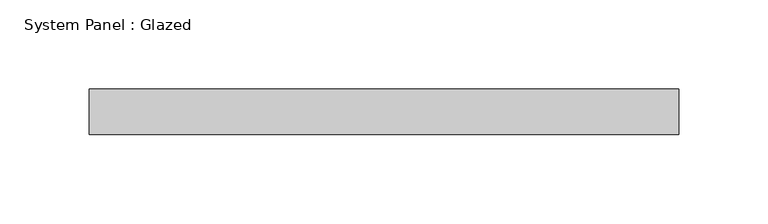
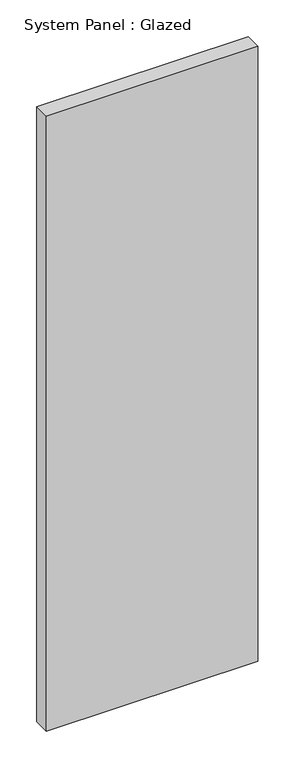
"""IFC4 building model written with IfcOpenShell, lengths in millimetres: plate geometry, System Panel : Glazed."""

from ifc_helpers import new_model, si_unit, origin, origin_with_axes, place, context, project, spatial, polyline, outline, extrude, source, transform, mapped, element, save


def system_panel_glazed_67895976(model_context):
    return source(origin(), model_context, "Body", "SweptSolid", [
        extrude(outline(polyline([(165.1, 19.05), (-165.1, 19.05), (-165.1, 44.45), (165.1, 44.45), (165.1, 19.05)])), origin_with_axes(), (0.0, 0.0, 1.0), 1016.0),
    ])


if __name__ == "__main__":
    model = new_model("IFC4")
    model_context = context("Model", 3, world=origin())
    ifc_project = project(units=[si_unit("LENGTHUNIT", "METRE", prefix="MILLI")], contexts=[model_context])
    site = spatial("IfcSite", under=ifc_project)
    building = spatial("IfcBuilding", under=site)
    placement = place(None, origin())
    system_panel_glazed_shape = system_panel_glazed_67895976(model_context)
    element("IfcPlate", 1, ObjectType="System Panel : Glazed", at=placement, inside=building, context=model_context, shape_type="MappedRepresentation", body=[
        mapped(system_panel_glazed_shape, transform((0.0, 0.0, 0.0), x_axis=(1.0, 0.0, 0.0), y_axis=(0.0, 1.0, 0.0), z_axis=(0.0, 0.0, 1.0))),
    ])
    save(model, "model.ifc")
